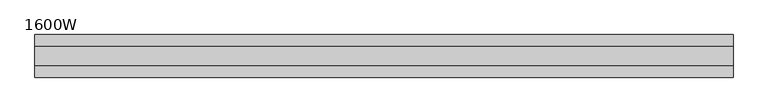
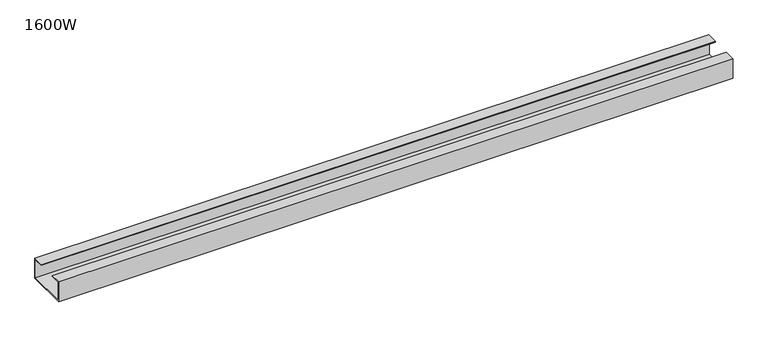
"""IFC4 building model written with IfcOpenShell, lengths in millimetres: furniture geometry, 1600W."""

from ifc_helpers import new_model, si_unit, frame, origin, place, context, project, spatial, polyline, outline, extrude, source, transform, mapped, element, save


def furniture_1600w_ebb40df1(model_context):
    return source(origin(), model_context, "Body", "SweptSolid", [
        extrude(outline(polyline([(47.3, 667.0), (-47.3, 667.0), (-47.3, 715.0), (-22.0, 715.0), (-22.0, 713.0), (-45.3, 713.0), (-45.3, 669.0), (45.3, 669.0), (45.3, 713.0), (22.0, 713.0), (22.0, 715.0), (47.3, 715.0), (47.3, 667.0)])), frame((-775.0, 0.0, 0.0), z_axis=(1.0, 0.0, 0.0), x_axis=(0.0, 1.0, 0.0)), (0.0, 0.0, 1.0), 1550.0),
    ])


if __name__ == "__main__":
    model = new_model("IFC4")
    model_context = context("Model", 3, world=origin())
    ifc_project = project(units=[si_unit("LENGTHUNIT", "METRE", prefix="MILLI")], contexts=[model_context])
    site = spatial("IfcSite", under=ifc_project)
    building = spatial("IfcBuilding", under=site)
    placement = place(None, origin())
    furniture_1600w_shape = furniture_1600w_ebb40df1(model_context)
    element("IfcFurniture", 1, ObjectType="1600W", at=placement, inside=building, context=model_context, shape_type="MappedRepresentation", body=[
        mapped(furniture_1600w_shape, transform((0.0, 0.0, 0.0), x_axis=(1.0, 0.0, 0.0), y_axis=(0.0, 1.0, 0.0), z_axis=(0.0, 0.0, 1.0))),
    ])
    save(model, "model.ifc")
